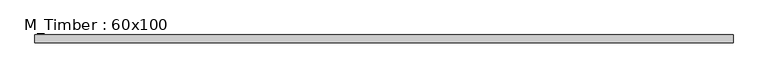
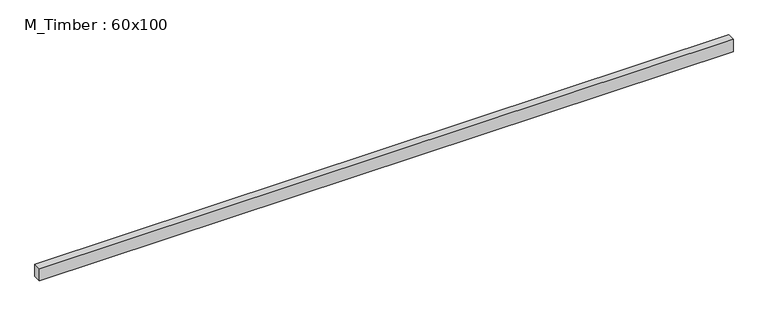
"""IFC4 building model written with IfcOpenShell, lengths in millimetres: beam geometry, M_Timber : 60x100."""

from ifc_helpers import new_model, si_unit, frame, origin, place, context, project, spatial, polyline, outline, extrude, source, transform, mapped, element, save


def m_timber_60x100_948956e1(model_context):
    return source(origin(), model_context, "Body", "SweptSolid", [
        extrude(outline(polyline([(2696.7827839, 30.0), (2696.7827839, -30.0), (-2678.1712424, -30.0), (-2678.1712424, 30.0), (2696.7827839, 30.0)])), frame((0.0, 0.0, -50.0), z_axis=(0.0, 0.0, 1.0), x_axis=(1.0, 0.0, 0.0)), (0.0, 0.0, 1.0), 100.0),
    ])


if __name__ == "__main__":
    model = new_model("IFC4")
    model_context = context("Model", 3, world=origin())
    ifc_project = project(units=[si_unit("LENGTHUNIT", "METRE", prefix="MILLI")], contexts=[model_context])
    site = spatial("IfcSite", under=ifc_project)
    building = spatial("IfcBuilding", under=site)
    placement = place(None, origin())
    m_timber_60x100_shape = m_timber_60x100_948956e1(model_context)
    element("IfcBeam", 1, ObjectType="M_Timber : 60x100", at=placement, inside=building, context=model_context, shape_type="MappedRepresentation", body=[
        mapped(m_timber_60x100_shape, transform((0.0, 0.0, 0.0), x_axis=(1.0, 0.0, 0.0), y_axis=(0.0, 1.0, 0.0), z_axis=(0.0, 0.0, 1.0))),
    ])
    save(model, "model.ifc")
